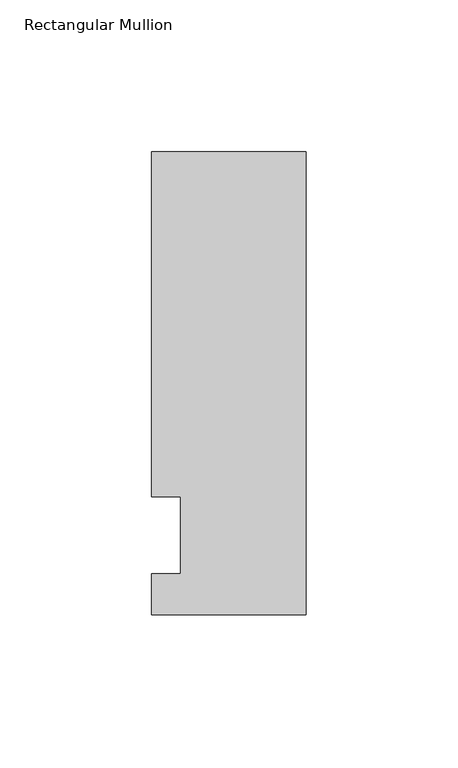
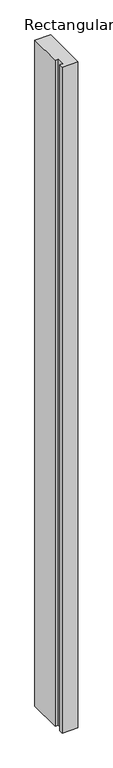
"""IFC4 building model written with IfcOpenShell, lengths in millimetres: member geometry, Rectangular Mullion."""

from ifc_helpers import new_model, si_unit, frame, origin, place, context, project, spatial, polyline, outline, extrude, source, transform, mapped, element, save


def rectangular_mullion_40379866(model_context):
    return source(origin(), model_context, "Body", "SweptSolid", [
        extrude(outline(polyline([(-25.4, -26.19375), (-25.4, -12.7), (-15.875, -12.7), (-15.875, 12.7), (-25.4, 12.7), (-25.4, 126.20625), (25.4, 126.20625), (25.4, -26.19375), (-25.4, -26.19375)])), frame((0.0, 0.0, -2286.0), z_axis=(0.0, 0.0, 1.0), x_axis=(1.0, 0.0, 0.0)), (0.0, 0.0, 1.0), 2286.0),
    ])


if __name__ == "__main__":
    model = new_model("IFC4")
    model_context = context("Model", 3, world=origin())
    ifc_project = project(units=[si_unit("LENGTHUNIT", "METRE", prefix="MILLI")], contexts=[model_context])
    site = spatial("IfcSite", under=ifc_project)
    building = spatial("IfcBuilding", under=site)
    placement = place(None, origin())
    rectangular_mullion_shape = rectangular_mullion_40379866(model_context)
    element("IfcMember", 1, ObjectType="Rectangular Mullion", at=placement, inside=building, context=model_context, shape_type="MappedRepresentation", body=[
        mapped(rectangular_mullion_shape, transform((0.0, 0.0, 0.0), x_axis=(1.0, 0.0, 0.0), y_axis=(0.0, 1.0, 0.0), z_axis=(0.0, 0.0, 1.0))),
    ])
    save(model, "model.ifc")
